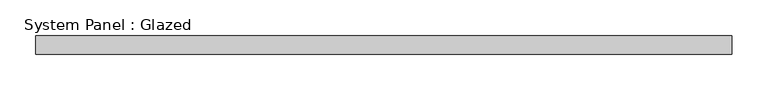
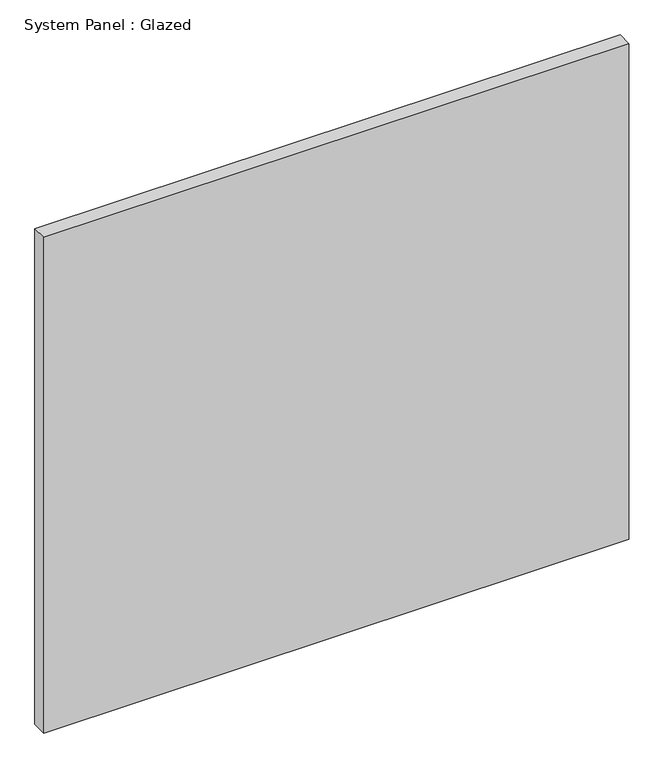
"""IFC4 building model written with IfcOpenShell, lengths in millimetres: plate geometry, System Panel : Glazed."""

from ifc_helpers import new_model, si_unit, origin, origin_with_axes, place, context, project, spatial, polyline, outline, extrude, source, transform, mapped, element, save


def system_panel_glazed_d9176ca5(model_context):
    return source(origin(), model_context, "Body", "SweptSolid", [
        extrude(outline(polyline([(485.775, 19.05), (-485.775, 19.05), (-485.775, 44.45), (485.775, 44.45), (485.775, 19.05)])), origin_with_axes(), (0.0, 0.0, 1.0), 869.95),
    ])


if __name__ == "__main__":
    model = new_model("IFC4")
    model_context = context("Model", 3, world=origin())
    ifc_project = project(units=[si_unit("LENGTHUNIT", "METRE", prefix="MILLI")], contexts=[model_context])
    site = spatial("IfcSite", under=ifc_project)
    building = spatial("IfcBuilding", under=site)
    placement = place(None, origin())
    system_panel_glazed_shape = system_panel_glazed_d9176ca5(model_context)
    element("IfcPlate", 1, ObjectType="System Panel : Glazed", at=placement, inside=building, context=model_context, shape_type="MappedRepresentation", body=[
        mapped(system_panel_glazed_shape, transform((0.0, 0.0, 0.0), x_axis=(1.0, 0.0, 0.0), y_axis=(0.0, 1.0, 0.0), z_axis=(0.0, 0.0, 1.0))),
    ])
    save(model, "model.ifc")
